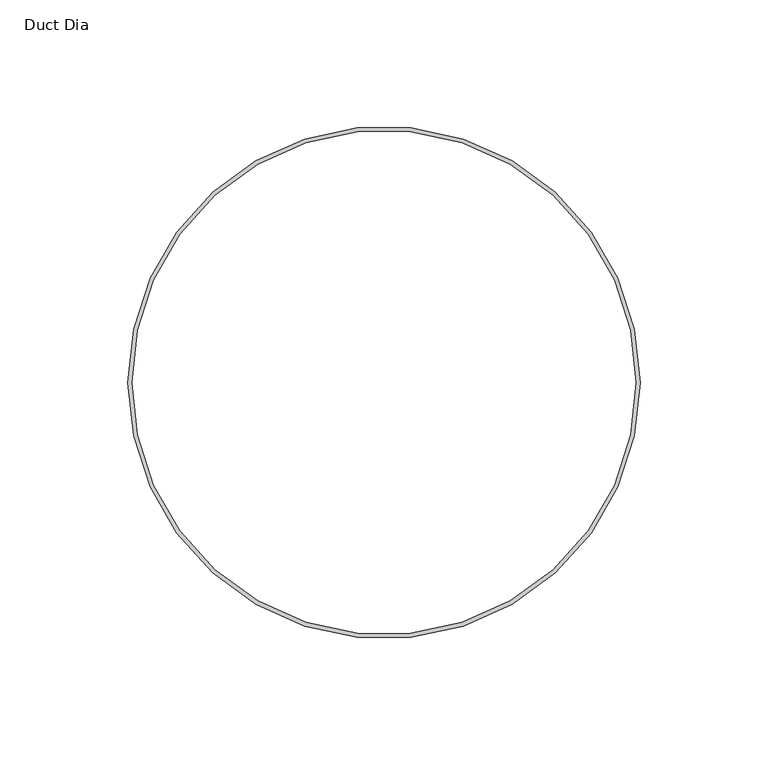
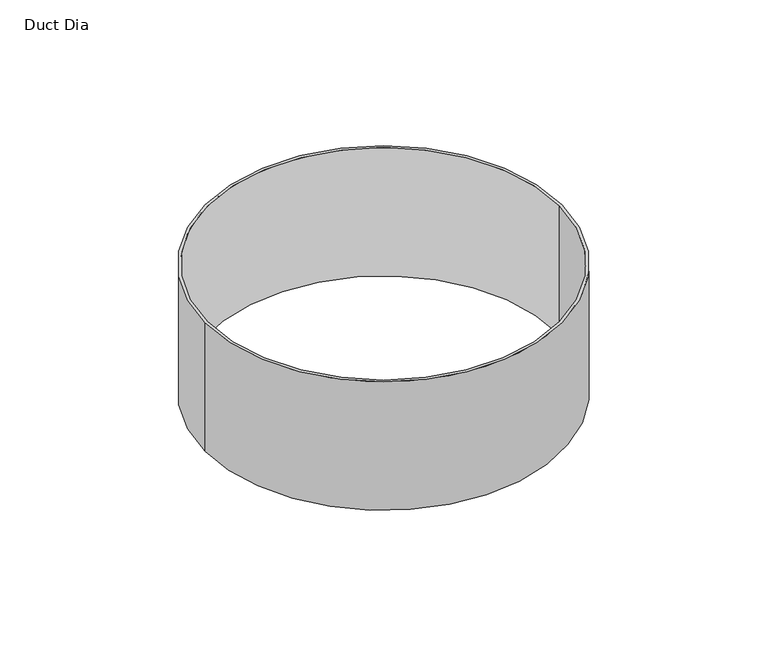
"""IFC4 building model written with IfcOpenShell, lengths in millimetres: proxy geometry, Duct Dia."""

from ifc_helpers import new_model, si_unit, point, origin, origin_with_axes, origin_2d, place, context, project, spatial, circle_curve, trimmed, segment, composite_curve, outline, extrude, source, transform, mapped, element, save


def duct_dia_2f6b1a6e(model_context):
    return source(origin(), model_context, "Body", "SweptSolid", [
        extrude(outline(composite_curve([segment(trimmed(circle_curve(origin_2d(), 100.0621094), [point((-100.0621094, 0.0))], [point((100.0621094, 0.0))], False, "CARTESIAN"), True, "CONTINUOUS"), segment(trimmed(circle_curve(origin_2d(), 100.0621094), [point((100.0621094, 0.0))], [point((-100.0621094, 0.0))], False, "CARTESIAN"), True, "CONTINUOUS")], self_intersect=False), holes=[composite_curve([segment(trimmed(circle_curve(origin_2d(), 98.4746094), [point((-98.4746094, 0.0))], [point((98.4746094, 0.0))], True, "CARTESIAN"), True, "CONTINUOUS"), segment(trimmed(circle_curve(origin_2d(), 98.4746094), [point((98.4746094, 0.0))], [point((-98.4746094, 0.0))], True, "CARTESIAN"), True, "CONTINUOUS")], self_intersect=False)]), origin_with_axes(), (0.0, 0.0, 1.0), 76.2),
    ])


if __name__ == "__main__":
    model = new_model("IFC4")
    model_context = context("Model", 3, world=origin())
    ifc_project = project(units=[si_unit("LENGTHUNIT", "METRE", prefix="MILLI")], contexts=[model_context])
    site = spatial("IfcSite", under=ifc_project)
    building = spatial("IfcBuilding", under=site)
    placement = place(None, origin())
    duct_dia_shape = duct_dia_2f6b1a6e(model_context)
    element("IfcBuildingElementProxy", 1, Name="Duct Dia", ObjectType="Duct Dia", at=placement, inside=building, context=model_context, shape_type="MappedRepresentation", body=[
        mapped(duct_dia_shape, transform((0.0, 0.0, 0.0), x_axis=(1.0, 0.0, 0.0), y_axis=(0.0, 1.0, 0.0), z_axis=(0.0, 0.0, 1.0))),
    ])
    save(model, "model.ifc")
